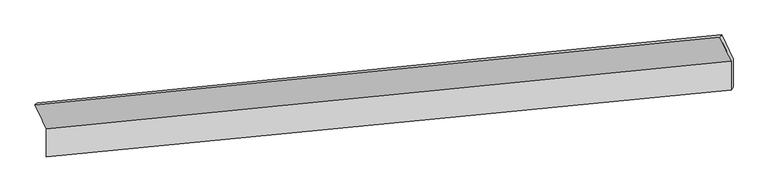
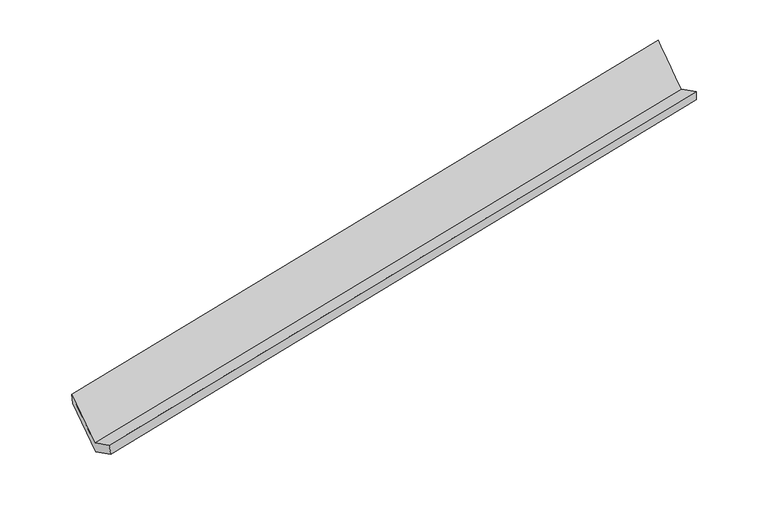
"""IFC4 building model written with IfcOpenShell, lengths in millimetres: proxy geometry."""

from ifc_helpers import new_model, si_unit, frame, origin, place, context, project, spatial, source, transform, mapped, element, save
from ifc_brep_helpers import plane_surface, spline_surface, advanced_brep


def generic_models_dfd7de1a(model_context):
    return source(origin(), model_context, "Body", "AdvancedBrep", [
        advanced_brep(
        [(-7617.3409493, -1973.061045, 804.5656737), (-7618.2943659, -2368.8087086, 1010.3588204), (1971.4121264, -1431.057167, 2854.2677129), (1972.3869173, -1026.4373957, 2643.8609724), (-7587.4661022, -2350.3409794, 843.0796204), (1998.4326726, -1388.141734, 2690.634537), (-7586.4943673, -1946.989737, 633.3325289), (1999.3830331, -993.6625993, 2485.5010393), (-7744.91246, -1612.8655751, 1275.1314424), (1842.587366, -654.6594009, 3136.6900329), (-7776.6480758, -1637.0617963, 1449.9663281), (1814.7230428, -685.5570721, 3298.6557233)],
        [
            (0, 1),
            (1, 2),
            (2, 3),
            (3, 0),
            (1, 4),
            (4, 5),
            (5, 2),
            (4, 6),
            (6, 7),
            (7, 5),
            (6, 8),
            (8, 9),
            (9, 7),
            (8, 10),
            (10, 11),
            (11, 9),
            (10, 0),
            (3, 11),
        ],
        [
            plane_surface(frame((-7617.8176576, -2170.9348768, 907.4622471), z_axis=(-0.2108577529294169, 0.4513873678835608, 0.867057352281098), x_axis=(-0.0021374264184350128, -0.887210772103119, 0.4613593797382831))),
            spline_surface(1, 1, [[(-7618.2943659, -2368.8087086, 1010.3588204), (1971.4121264, -1431.057167, 2854.2677129)], [(-7587.4661022, -2350.3409794, 843.0796204), (1998.4326726, -1388.141734, 2690.634537)]], [2, 2], [2, 2], [0.0, 1.0], [0.0, 1.0]),
            plane_surface(frame((-7586.9802347, -2148.6653582, 738.2060747), z_axis=(0.21235219611713987, -0.4512409240442688, -0.8667688118938651), x_axis=(0.0021374264184550627, 0.8872107721031186, -0.46135937973828367))),
            spline_surface(1, 1, [[(-7586.4943673, -1946.989737, 633.3325289), (1999.3830331, -993.6625993, 2485.5010393)], [(-7744.91246, -1612.8655751, 1275.1314424), (1842.587366, -654.6594009, 3136.6900329)]], [2, 2], [2, 2], [0.0, 1.0], [0.0, 1.0]),
            spline_surface(1, 1, [[(-7744.91246, -1612.8655751, 1275.1314424), (1842.587366, -654.6594009, 3136.6900329)], [(-7776.6480758, -1637.0617963, 1449.9663281), (1814.7230428, -685.5570721, 3298.6557233)]], [2, 2], [2, 2], [0.0, 1.0], [0.0, 1.0]),
            spline_surface(1, 1, [[(-7776.6480758, -1637.0617963, 1449.9663281), (1814.7230428, -685.5570721, 3298.6557233)], [(-7617.3409493, -1973.061045, 804.5656737), (1972.3869173, -1026.4373957, 2643.8609724)]], [2, 2], [2, 2], [0.0, 1.0], [0.0, 1.0]),
            plane_surface(frame((1933.1541931, -1029.9192282, 2851.6016696), z_axis=(0.977942129341577, 0.09450777874795382, 0.18627257290054913), x_axis=(-0.1666284192262014, -0.18476781485365076, 0.968553470129752))),
            plane_surface(frame((-7655.1927201, -1981.5213069, 1002.739069), z_axis=(-0.9768586342253085, -0.09682135031899516, -0.1907166349899024), x_axis=(-0.2138752911108947, 0.45109053635221635, 0.8664725545946046))),
        ],
        [
            (0, [[1, 2, 3, 4]]),
            (1, [[5, 6, 7, -2]]),
            (2, [[8, 9, 10, -6]]),
            (3, [[11, 12, 13, -9]]),
            (4, [[14, 15, 16, -12]]),
            (5, [[17, -4, 18, -15]]),
            (6, [[-16, -18, -3, -7, -10, -13]]),
            (7, [[-17, -14, -11, -8, -5, -1]]),
        ],
    ),
    ])


if __name__ == "__main__":
    model = new_model("IFC4")
    model_context = context("Model", 3, world=origin())
    ifc_project = project(units=[si_unit("LENGTHUNIT", "METRE", prefix="MILLI")], contexts=[model_context])
    site = spatial("IfcSite", under=ifc_project)
    building = spatial("IfcBuilding", under=site)
    placement = place(None, origin())
    generic_models_shape = generic_models_dfd7de1a(model_context)
    element("IfcBuildingElementProxy", 1, Name="Generic Models", at=placement, inside=building, context=model_context, shape_type="MappedRepresentation", body=[
        mapped(generic_models_shape, transform((0.0, 0.0, 0.0), x_axis=(1.0, 0.0, 0.0), y_axis=(0.0, 1.0, 0.0), z_axis=(0.0, 0.0, 1.0))),
    ])
    save(model, "model.ifc")
